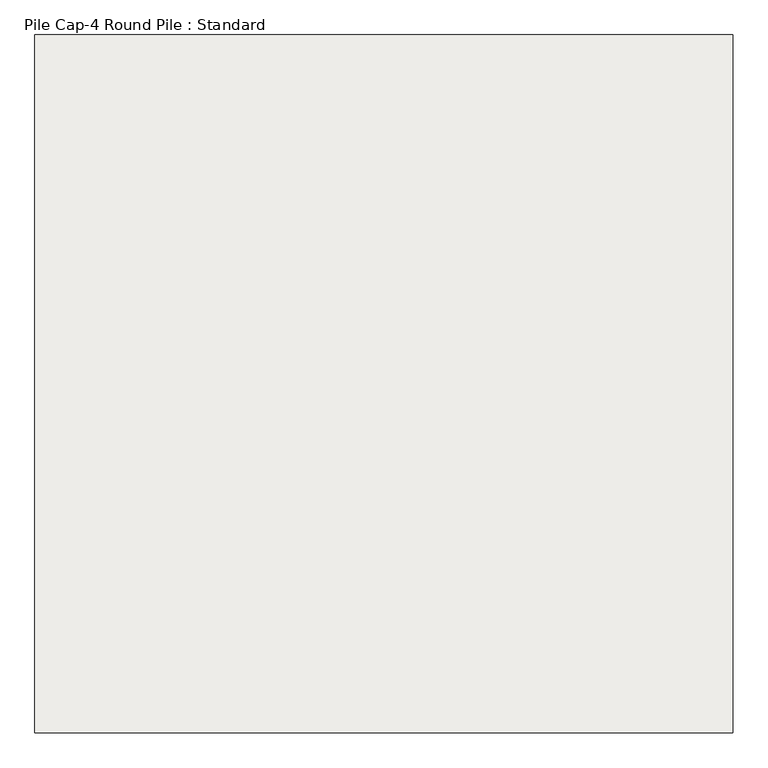
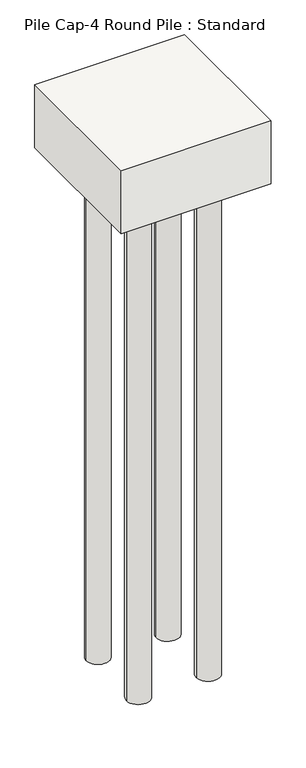
"""IFC4 building model written with IfcOpenShell, lengths in millimetres: slab geometry, Pile Cap-4 Round Pile : Standard."""

from ifc_helpers import new_model, si_unit, point, frame, frame_2d, origin, place, context, project, spatial, polyline, circle_curve, trimmed, segment, composite_curve, outline, extrude, source, transform, mapped, element, save
from ifc_brep_helpers import plane_surface, revolved_surface, advanced_brep


def pile_cap_4_round_pile_standard_08d82b39(model_context):
    return source(origin(), model_context, "Body", "SolidModel", [
        extrude(outline(composite_curve([segment(trimmed(circle_curve(frame_2d((525.0, -525.0)), 175.0), [point((350.0, -525.0))], [point((700.0, -525.0))], False, "CARTESIAN"), True, "CONTINUOUS"), segment(trimmed(circle_curve(frame_2d((525.0, -525.0)), 175.0), [point((700.0, -525.0))], [point((350.0, -525.0))], False, "CARTESIAN"), True, "CONTINUOUS")], self_intersect=False)), frame((0.0, 0.0, -8925.0), z_axis=(0.0, 0.0, 1.0), x_axis=(1.0, 0.0, 0.0)), (0.0, 0.0, 1.0), 8000.0),
        extrude(outline(composite_curve([segment(trimmed(circle_curve(frame_2d((-525.0, -525.0)), 175.0), [point((-700.0, -525.0))], [point((-350.0, -525.0))], False, "CARTESIAN"), True, "CONTINUOUS"), segment(trimmed(circle_curve(frame_2d((-525.0, -525.0)), 175.0), [point((-350.0, -525.0))], [point((-700.0, -525.0))], False, "CARTESIAN"), True, "CONTINUOUS")], self_intersect=False)), frame((0.0, 0.0, -8925.0), z_axis=(0.0, 0.0, 1.0), x_axis=(1.0, 0.0, 0.0)), (0.0, 0.0, 1.0), 8000.0),
        extrude(outline(composite_curve([segment(trimmed(circle_curve(frame_2d((525.0, 525.0)), 175.0), [point((350.0, 525.0))], [point((700.0, 525.0))], False, "CARTESIAN"), True, "CONTINUOUS"), segment(trimmed(circle_curve(frame_2d((525.0, 525.0)), 175.0), [point((700.0, 525.0))], [point((350.0, 525.0))], False, "CARTESIAN"), True, "CONTINUOUS")], self_intersect=False)), frame((0.0, 0.0, -8925.0), z_axis=(0.0, 0.0, 1.0), x_axis=(1.0, 0.0, 0.0)), (0.0, 0.0, 1.0), 8000.0),
        extrude(outline(composite_curve([segment(trimmed(circle_curve(frame_2d((-525.0, 525.0)), 175.0), [point((-700.0, 525.0))], [point((-350.0, 525.0))], False, "CARTESIAN"), True, "CONTINUOUS"), segment(trimmed(circle_curve(frame_2d((-525.0, 525.0)), 175.0), [point((-350.0, 525.0))], [point((-700.0, 525.0))], False, "CARTESIAN"), True, "CONTINUOUS")], self_intersect=False)), frame((0.0, 0.0, -8925.0), z_axis=(0.0, 0.0, 1.0), x_axis=(1.0, 0.0, 0.0)), (0.0, 0.0, 1.0), 8000.0),
        advanced_brep(
        [(1125.0, 1125.0, 0.0), (-1125.0, 1125.0, 0.0), (-1125.0, -1125.0, 0.0), (1125.0, -1125.0, 0.0), (1125.0, 1125.0, -1000.0), (1125.0, -1125.0, -1000.0), (-1125.0, -1125.0, -1000.0), (-1125.0, 1125.0, -1000.0), (-700.0, 525.0, -1000.0), (-350.0, 525.0, -1000.0), (350.0, 525.0, -1000.0), (700.0, 525.0, -1000.0), (-700.0, -525.0, -1000.0), (-350.0, -525.0, -1000.0), (350.0, -525.0, -1000.0), (700.0, -525.0, -1000.0), (-700.0, 525.0, -925.0), (-350.0, 525.0, -925.0), (350.0, 525.0, -925.0), (700.0, 525.0, -925.0), (-700.0, -525.0, -925.0), (-350.0, -525.0, -925.0), (350.0, -525.0, -925.0), (700.0, -525.0, -925.0)],
        [
            (0, 1),
            (1, 2),
            (2, 3),
            (3, 0),
            (4, 5),
            (5, 6),
            (6, 7),
            (7, 4),
            (8, 9, circle_curve(frame((-525.0, 525.0, -1000.0), z_axis=(0.0, 0.0, 1.0), x_axis=(1.0, 0.0, 0.0)), 175.0)),
            (9, 8, circle_curve(frame((-525.0, 525.0, -1000.0), z_axis=(0.0, 0.0, 1.0), x_axis=(1.0, 0.0, 0.0)), 175.0)),
            (10, 11, circle_curve(frame((525.0, 525.0, -1000.0), z_axis=(0.0, 0.0, 1.0), x_axis=(1.0, 0.0, 0.0)), 175.0)),
            (11, 10, circle_curve(frame((525.0, 525.0, -1000.0), z_axis=(0.0, 0.0, 1.0), x_axis=(1.0, 0.0, 0.0)), 175.0)),
            (12, 13, circle_curve(frame((-525.0, -525.0, -1000.0), z_axis=(0.0, 0.0, 1.0), x_axis=(1.0, 0.0, 0.0)), 175.0)),
            (13, 12, circle_curve(frame((-525.0, -525.0, -1000.0), z_axis=(0.0, 0.0, 1.0), x_axis=(1.0, 0.0, 0.0)), 175.0)),
            (14, 15, circle_curve(frame((525.0, -525.0, -1000.0), z_axis=(0.0, 0.0, 1.0), x_axis=(1.0, 0.0, 0.0)), 175.0)),
            (15, 14, circle_curve(frame((525.0, -525.0, -1000.0), z_axis=(0.0, 0.0, 1.0), x_axis=(1.0, 0.0, 0.0)), 175.0)),
            (0, 4),
            (7, 1),
            (6, 2),
            (5, 3),
            (16, 17, circle_curve(frame((-525.0, 525.0, -925.0), z_axis=(0.0, 0.0, -1.0), x_axis=(1.0, 0.0, 0.0)), 175.0)),
            (17, 16, circle_curve(frame((-525.0, 525.0, -925.0), z_axis=(0.0, 0.0, -1.0), x_axis=(1.0, 0.0, 0.0)), 175.0)),
            (18, 19, circle_curve(frame((525.0, 525.0, -925.0), z_axis=(0.0, 0.0, -1.0), x_axis=(1.0, 0.0, 0.0)), 175.0)),
            (19, 18, circle_curve(frame((525.0, 525.0, -925.0), z_axis=(0.0, 0.0, -1.0), x_axis=(1.0, 0.0, 0.0)), 175.0)),
            (20, 21, circle_curve(frame((-525.0, -525.0, -925.0), z_axis=(0.0, 0.0, -1.0), x_axis=(1.0, 0.0, 0.0)), 175.0)),
            (21, 20, circle_curve(frame((-525.0, -525.0, -925.0), z_axis=(0.0, 0.0, -1.0), x_axis=(1.0, 0.0, 0.0)), 175.0)),
            (22, 23, circle_curve(frame((525.0, -525.0, -925.0), z_axis=(0.0, 0.0, -1.0), x_axis=(1.0, 0.0, 0.0)), 175.0)),
            (23, 22, circle_curve(frame((525.0, -525.0, -925.0), z_axis=(0.0, 0.0, -1.0), x_axis=(1.0, 0.0, 0.0)), 175.0)),
            (17, 9),
            (8, 16),
            (19, 11),
            (10, 18),
            (21, 13),
            (12, 20),
            (23, 15),
            (14, 22),
        ],
        [
            plane_surface(frame((-1125.0, 1125.0, 0.0), z_axis=(0.0, 0.0, 1.0), x_axis=(-1.0, 0.0, 0.0))),
            plane_surface(frame((-1125.0, 1125.0, -1000.0), z_axis=(0.0, 0.0, -1.0), x_axis=(1.0, 0.0, 0.0))),
            plane_surface(frame((1125.0, 1125.0, 0.0), z_axis=(0.0, 1.0, 0.0), x_axis=(0.0, 0.0, -1.0))),
            plane_surface(frame((-1125.0, 1125.0, 0.0), z_axis=(-1.0, 0.0, 0.0), x_axis=(0.0, 0.0, -1.0))),
            plane_surface(frame((-1125.0, -1125.0, 0.0), z_axis=(0.0, -1.0, 0.0), x_axis=(0.0, 0.0, -1.0))),
            plane_surface(frame((1125.0, -1125.0, 0.0), z_axis=(1.0, 0.0, 0.0), x_axis=(0.0, 0.0, -1.0))),
            plane_surface(frame((-350.0, 525.0, -925.0), z_axis=(0.0, 0.0, -1.0), x_axis=(0.0, 1.0, 0.0))),
            revolved_surface(polyline([(-350.0, 525.0, -925.0), (-350.0, 525.0, -1000.0)]), (-525.0, 525.0, -1000.0), (0.0, 0.0, 1.0)),
            revolved_surface(polyline([(700.0, 525.0, -925.0), (700.0, 525.0, -1000.0)]), (525.0, 525.0, 0.0), (0.0, 0.0, 1.0)),
            revolved_surface(polyline([(-350.0, -525.0, -925.0), (-350.0, -525.0, -1000.0)]), (-525.0, -525.0, 0.0), (0.0, 0.0, 1.0)),
            revolved_surface(polyline([(700.0, -525.0, -925.0), (700.0, -525.0, -1000.0)]), (525.0, -525.0, 0.0), (0.0, 0.0, 1.0)),
        ],
        [
            (0, [[1, 2, 3, 4]]),
            (1, [[5, 6, 7, 8], [9, 10], [11, 12], [13, 14], [15, 16]]),
            (2, [[-1, 17, -8, 18]]),
            (3, [[-2, -18, -7, 19]]),
            (4, [[-3, -19, -6, 20]]),
            (5, [[-4, -20, -5, -17]]),
            (6, [[21, 22]]),
            (6, [[23, 24]]),
            (6, [[25, 26]]),
            (6, [[27, 28]]),
            (7, [[-22, 29, -9, 30]]),
            (7, [[-21, -30, -10, -29]]),
            (8, [[-24, 31, -11, 32]]),
            (8, [[-23, -32, -12, -31]]),
            (9, [[-26, 33, -13, 34]]),
            (9, [[-25, -34, -14, -33]]),
            (10, [[-28, 35, -15, 36]]),
            (10, [[-27, -36, -16, -35]]),
        ],
    ),
    ])


if __name__ == "__main__":
    model = new_model("IFC4")
    model_context = context("Model", 3, world=origin())
    ifc_project = project(units=[si_unit("LENGTHUNIT", "METRE", prefix="MILLI")], contexts=[model_context])
    site = spatial("IfcSite", under=ifc_project)
    building = spatial("IfcBuilding", under=site)
    placement = place(None, origin())
    pile_cap_4_round_pile_standard_shape = pile_cap_4_round_pile_standard_08d82b39(model_context)
    element("IfcSlab", 1, ObjectType="Pile Cap-4 Round Pile : Standard", at=placement, inside=building, context=model_context, shape_type="MappedRepresentation", body=[
        mapped(pile_cap_4_round_pile_standard_shape, transform((0.0, 0.0, 0.0), x_axis=(1.0, 0.0, 0.0), y_axis=(0.0, 1.0, 0.0), z_axis=(0.0, 0.0, 1.0))),
    ])
    save(model, "model.ifc")
